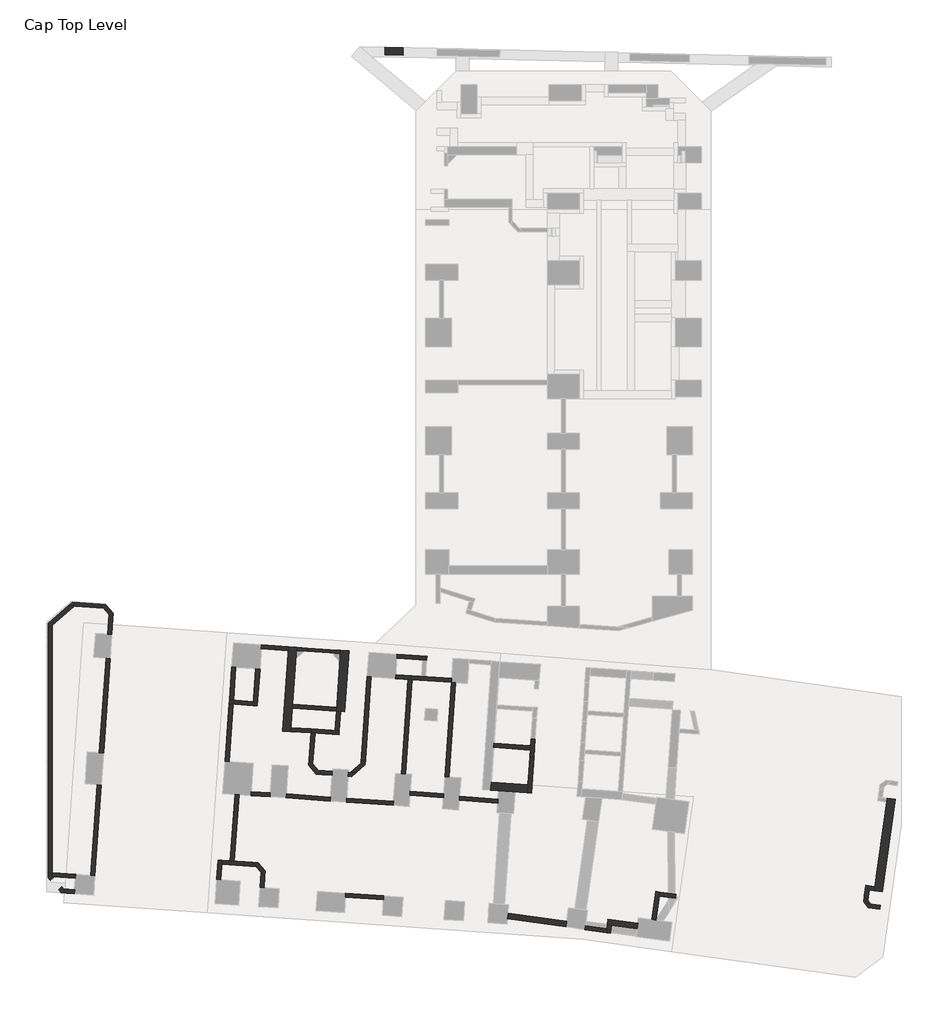
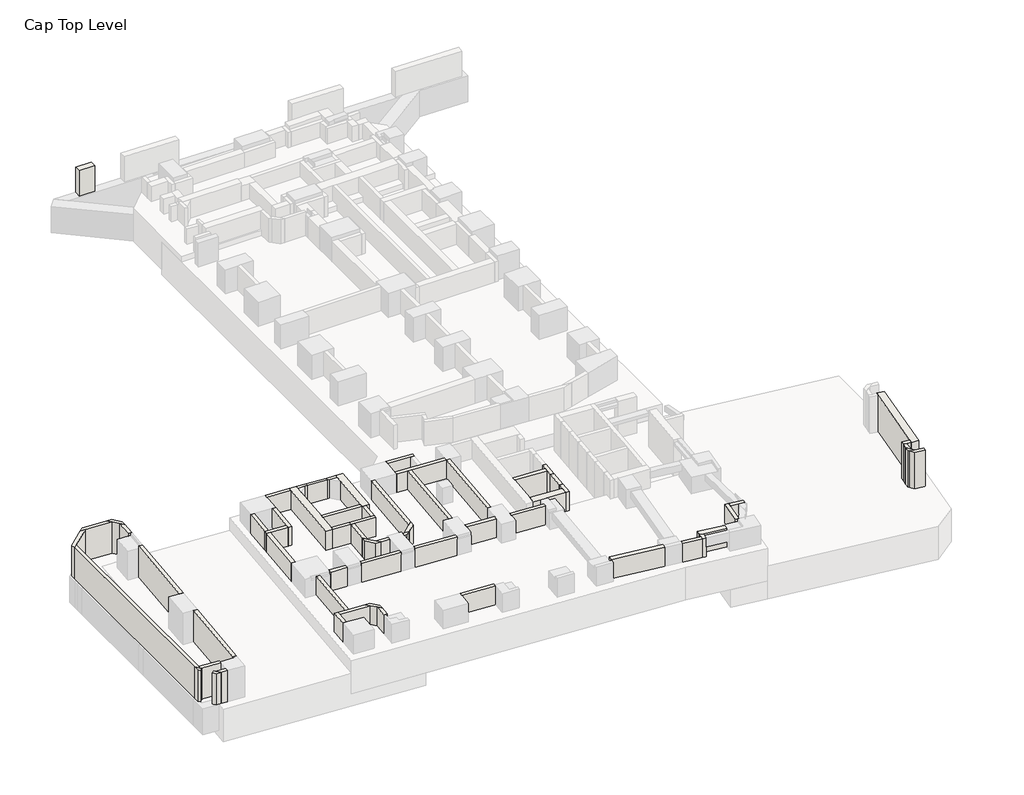
# One storey, part 1 of 5: 63 walls.
"""IFC4 building model written with IfcOpenShell, lengths in millimetres."""

from ifc_helpers import new_model, si_unit, frame, origin, place, context, project, spatial, polyline, outline, extrude, faceted_brep, element, save

model = new_model("IFC4")

# Units and contexts
model_context = context("Model", 3, world=origin())
ifc_project = project(units=[si_unit("LENGTHUNIT", "METRE", prefix="MILLI")], contexts=[model_context])

# Site, building, storey
site = spatial("IfcSite", under=ifc_project)
building = spatial("IfcBuilding", under=site)
storey = spatial("IfcBuildingStorey", under=building, Name="Cap Top Level", Elevation=2650.0)

# Walls
placement = place(None, origin())
element("IfcWall", 1, at=placement, inside=storey, context=model_context, shape_type="Brep", body=[
    faceted_brep([(-71748.5834843, 73803.2710472, 2650.0), (-71766.0226028, 73553.8800341, 2650.0), (-72113.0610597, 68590.998884, 2650.0), (-72113.0610597, 68590.998884, 4090.0), (-71766.0226028, 73553.8800341, 4090.0), (-71748.5834843, 73803.2710472, 4090.0), (-71249.8014591, 73768.3928106, 2650.0), (-71249.8014591, 73768.3928106, 4090.0), (-71263.7527539, 73568.8800005, 4090.0), (-71495.6927825, 70251.9830605, 4090.0), (-71513.1319009, 70002.5920479, 4090.0), (-71596.8399161, 68805.5116598, 4090.0), (-71614.2790345, 68556.1206472, 4090.0), (-71614.2790345, 68556.1206472, 2650.0), (-71596.8399161, 68805.5116598, 2650.0), (-71513.1319009, 70002.5920479, 2650.0), (-71495.6927825, 70251.9830605, 2650.0), (-71263.7527539, 73568.8800005, 2650.0)], [[[0, 1, 2, 3, 4, 5]], [[6, 7, 8, 9, 10, 11, 12, 13, 14, 15, 16, 17]], [[2, 1, 0, 6, 17, 16, 15, 14, 13]], [[5, 4, 3, 12, 11, 10, 9, 8, 7]], [[0, 5, 7, 6]], [[3, 2, 13, 12]]]),
])
element("IfcWall", 2, at=placement, inside=storey, context=model_context, shape_type="Brep", body=[
    faceted_brep([(-68281.0289822, 69776.5775531, 2650.0), (-68017.6937428, 73542.382913, 2650.0), (-68017.6937428, 73542.382913, 4090.0), (-68281.0289822, 69776.5775531, 4090.0), (-68779.8109661, 69811.4563799, 2650.0), (-68779.8109661, 69811.4563799, 4090.0), (-68762.3715527, 70060.8473719, 4090.0), (-68530.4272987, 73377.7483562, 4090.0), (-68516.4757679, 73577.2611497, 4090.0), (-68516.4757679, 73577.2611497, 2650.0), (-68530.4272987, 73377.7483562, 2650.0), (-68762.3715527, 70060.8473719, 2650.0), (-68530.4158391, 69794.0166773, 2650.0), (-68530.4158391, 69794.0166773, 4090.0)], [[[0, 1, 2, 3]], [[4, 5, 6, 7, 8, 9, 10, 11]], [[1, 0, 12, 4, 11, 10, 9]], [[3, 2, 8, 7, 6, 5, 13]], [[2, 1, 9, 8]], [[0, 3, 13, 5, 4, 12]]]),
])
element("IfcWall", 3, at=placement, inside=storey, context=model_context, shape_type="SweptSolid", body=[
    extrude(outline(polyline([(-56973.7238295, 64755.5923467), (-59233.2094186, 64913.5909697), (-59198.3311817, 65412.3729949), (-56938.8455922, 65254.3743718), (-56973.7238295, 64755.5923467)])), frame((0.0, 0.0, 2650.0), z_axis=(0.0, 0.0, 1.0), x_axis=(1.0, 0.0, 0.0)), (0.0, 0.0, 1.0), 1440.0),
])
element("IfcWall", 4, at=placement, inside=storey, context=model_context, shape_type="SweptSolid", body=[
    extrude(outline(polyline([(-35494.4533486, 58708.0237551), (-34690.0328255, 64431.7731925), (-34194.8987911, 64362.1866421), (-34999.3193142, 58638.4372046), (-35494.4533486, 58708.0237551)])), frame((0.0, 0.0, 1300.0), z_axis=(0.0, 0.0, 1.0), x_axis=(1.0, 0.0, 0.0)), (0.0, 0.0, 1.0), 2790.0),
])
element("IfcWall", 5, at=placement, inside=storey, context=model_context, shape_type="Brep", body=[
    faceted_brep([(-70595.3848402, 73522.1431634, 2650.0), (-70595.3848402, 73522.1431634, 4090.0), (-70745.0188341, 73532.6065915, 4090.0), (-71263.7527539, 73568.8800005, 4090.0), (-71263.7527539, 73568.8800005, 2650.0), (-70745.0188341, 73532.6065915, 2650.0), (-70581.4335455, 73721.6559734, 2650.0), (-71249.8014591, 73768.3928106, 2650.0), (-71249.8014591, 73768.3928106, 4090.0), (-70581.4335455, 73721.6559734, 4090.0)], [[[0, 1, 2, 3, 4, 5]], [[6, 7, 8, 9]], [[7, 6, 0, 5, 4]], [[1, 0, 6, 9]], [[9, 8, 3, 2, 1]], [[4, 3, 8, 7]]]),
])
element("IfcWall", 6, at=placement, inside=storey, context=model_context, shape_type="Brep", body=[
    faceted_brep([(-69198.7950943, 73424.4851852, 4090.0), (-69198.7950943, 73424.4851852, 2650.0), (-69049.1604879, 73414.0217142, 2650.0), (-68530.4272987, 73377.7483562, 2650.0), (-68530.4272987, 73377.7483562, 4090.0), (-69049.1604879, 73414.0217142, 4090.0), (-68516.4757679, 73577.2611497, 2650.0), (-69184.8437996, 73623.9979953, 2650.0), (-69184.8437996, 73623.9979953, 4090.0), (-68516.4757679, 73577.2611497, 4090.0)], [[[0, 1, 2, 3, 4, 5]], [[6, 7, 8, 9]], [[7, 6, 3, 2, 1]], [[9, 8, 0, 5, 4]], [[1, 0, 8, 7]], [[4, 3, 6, 9]]]),
])
element("IfcWall", 7, at=placement, inside=storey, context=model_context, shape_type="SweptSolid", body=[
    extrude(outline(polyline([(-59029.8692977, 67821.4901777), (-56770.3860016, 67663.4917152), (-56787.8251202, 67414.1007027), (-59047.3084161, 67572.0991651), (-59029.8692977, 67821.4901777)])), frame((0.0, 0.0, 1300.0), z_axis=(0.0, 0.0, 1.0), x_axis=(1.0, 0.0, 0.0)), (0.0, 0.0, 1.0), 2790.0),
])
element("IfcWall", 8, at=placement, inside=storey, context=model_context, shape_type="Brep", body=[
    faceted_brep([(-56740.2153988, 68094.9514305, 1300.0), (-56770.3860016, 67663.4917152, 1300.0), (-56787.8251202, 67414.1007027, 1300.0), (-56817.9957326, 66982.6408494, 1300.0), (-56817.9957326, 66982.6408494, 4090.0), (-56787.8251202, 67414.1007027, 4090.0), (-56770.3860016, 67663.4917152, 4090.0), (-56740.2153988, 68094.9514305, 4090.0), (-56568.6047201, 66965.2017307, 1300.0), (-56490.8243863, 68077.5123118, 1300.0), (-56490.8243863, 68077.5123118, 4090.0), (-56568.6047201, 66965.2017307, 4090.0)], [[[0, 1, 2, 3, 4, 5, 6, 7]], [[8, 9, 10, 11]], [[3, 2, 1, 0, 9, 8]], [[4, 3, 8, 11]], [[7, 6, 5, 4, 11, 10]], [[0, 7, 10, 9]]]),
])
element("IfcWall", 9, at=placement, inside=storey, context=model_context, shape_type="Brep", body=[
    faceted_brep([(-56724.332817, 64738.1532284, 1300.0), (-56659.2858413, 65668.3683065, 1300.0), (-56659.2858413, 65668.3683065, 4090.0), (-56724.332817, 64738.1532284, 4090.0), (-56908.6768539, 65685.8074252, 1300.0), (-56973.7238295, 64755.5923467, 1300.0), (-56973.7238295, 64755.5923467, 2650.0), (-56973.7238295, 64755.5923467, 4090.0), (-56938.8455922, 65254.3743718, 4090.0), (-56908.6768539, 65685.8074252, 4090.0)], [[[0, 1, 2, 3]], [[4, 5, 6, 7, 8, 9]], [[1, 0, 5, 4]], [[2, 1, 4, 9]], [[3, 2, 9, 8, 7]], [[0, 3, 7, 6, 5]]]),
])
element("IfcWall", 10, at=placement, inside=storey, context=model_context, shape_type="Brep", body=[
    faceted_brep([(-82604.4214143, 75890.6238024, 1700.0), (-82884.9846761, 76213.3749155, 1700.0), (-83063.6861632, 76418.9474607, 1700.0), (-83063.6861632, 76418.9474607, 4090.0), (-82604.4214143, 75890.6238024, 4090.0), (-82629.0840518, 75537.9316496, 1700.0), (-82629.0840518, 75537.9316496, 4090.0), (-82861.0359461, 75804.7617811, 4090.0), (-83184.4264214, 76176.7799675, 4090.0), (-83416.3783153, 76443.6100985, 4090.0), (-83416.3783153, 76443.6100985, 1700.0), (-83184.4264214, 76176.7799675, 1700.0), (-82861.0359461, 75804.7617811, 1700.0)], [[[0, 1, 2, 3, 4]], [[5, 6, 7, 8, 9, 10, 11, 12]], [[2, 1, 0, 5, 12, 11, 10]], [[4, 3, 9, 8, 7, 6]], [[0, 4, 6, 5]], [[3, 2, 10, 9]]]),
])
element("IfcWall", 11, at=placement, inside=storey, context=model_context, shape_type="SweptSolid", body=[
    extrude(outline(polyline([(-82629.0840518, 75537.9316496), (-82696.8487408, 74568.851435), (-82946.2397534, 74586.2905532), (-82861.0359461, 75804.7617811), (-82629.0840518, 75537.9316496)])), frame((0.0, 0.0, 1700.0), z_axis=(0.0, 0.0, 1.0), x_axis=(1.0, 0.0, 0.0)), (0.0, 0.0, 1.0), 2390.0),
])
element("IfcWall", 12, at=placement, inside=storey, context=model_context, shape_type="Brep", body=[
    faceted_brep([(-83416.3783153, 76443.6100985, 1700.0), (-84576.7251213, 76524.7494514, 1700.0), (-85110.7203233, 76562.0900335, 1700.0), (-85110.7203233, 76562.0900335, 4090.0), (-83416.3783153, 76443.6100985, 4090.0), (-83184.4264214, 76176.7799675, 1700.0), (-83184.4264214, 76176.7799675, 4090.0), (-85024.858302, 76305.4755016, 4090.0), (-85377.5504543, 76330.1381394, 4090.0), (-85377.5504543, 76330.1381394, 1700.0), (-85024.858302, 76305.4755016, 1700.0)], [[[0, 1, 2, 3, 4]], [[5, 6, 7, 8, 9, 10]], [[2, 1, 0, 5, 10, 9]], [[4, 3, 8, 7, 6]], [[0, 4, 6, 5]], [[3, 2, 9, 8]]]),
])
element("IfcWall", 13, at=placement, inside=storey, context=model_context, shape_type="Brep", body=[
    faceted_brep([(-85377.5504543, 76330.1381394, 1700.0), (-86626.3287042, 75244.591768, 1700.0), (-86626.3287042, 75244.591768, 4090.0), (-85377.5504543, 76330.1381394, 4090.0), (-85024.858302, 76305.4755016, 1700.0), (-85024.858302, 76305.4755016, 4090.0), (-86376.3287042, 75130.6602041, 4090.0), (-86626.3287042, 74913.3385196, 4090.0), (-86626.3287042, 74913.3385196, 1700.0), (-86376.3287042, 75130.6602041, 1700.0)], [[[0, 1, 2, 3]], [[4, 5, 6, 7, 8, 9]], [[1, 0, 4, 9, 8]], [[3, 2, 7, 6, 5]], [[0, 3, 5, 4]], [[2, 1, 8, 7]]]),
])
element("IfcWall", 14, at=placement, inside=storey, context=model_context, shape_type="Brep", body=[
    faceted_brep([(-86626.3287042, 74913.3385196, 1700.0), (-86626.3287042, 59890.3137233, 1700.0), (-86626.3287042, 59890.3137233, 4090.0), (-86626.3287042, 74913.3385196, 4090.0), (-86376.3287042, 75130.6602041, 1700.0), (-86376.3287042, 75130.6602041, 4090.0), (-86376.3287042, 59819.5905246, 4090.0), (-86376.3287042, 59602.6523758, 4090.0), (-86376.3287042, 59602.6523758, 1700.0), (-86376.3287042, 59819.5905246, 1700.0)], [[[0, 1, 2, 3]], [[4, 5, 6, 7, 8, 9]], [[1, 0, 4, 9, 8]], [[3, 2, 7, 6, 5]], [[0, 3, 5, 4]], [[2, 1, 8, 7]]]),
])
element("IfcWall", 15, at=placement, inside=storey, context=model_context, shape_type="Brep", body=[
    faceted_brep([(-86345.1713554, 59566.801316, 1700.0), (-84955.619116, 59469.6343581, 1700.0), (-84955.619116, 59469.6343581, 4090.0), (-86345.1713554, 59566.801316, 4090.0), (-86376.3287042, 59819.5905246, 1700.0), (-86376.3287042, 59819.5905246, 4090.0), (-84938.1799976, 59719.0253706, 4090.0), (-84938.1799976, 59719.0253706, 1700.0), (-86376.3287042, 59602.6523758, 1700.0), (-84947.1586433, 59590.6247551, 4090.0), (-86376.3287042, 59602.6523758, 4090.0)], [[[0, 1, 2, 3]], [[4, 5, 6, 7]], [[1, 0, 8, 4, 7]], [[2, 1, 7, 6, 9]], [[3, 2, 9, 6, 5, 10]], [[0, 3, 10, 8]], [[10, 5, 4, 8]]]),
])
element("IfcWall", 16, at=placement, inside=storey, context=model_context, shape_type="SweptSolid", body=[
    extrude(outline(polyline([(-83348.7234825, 65246.6081128), (-83741.1031383, 59635.3176023), (-83990.4941509, 59652.7567207), (-83598.114495, 65264.0472312), (-83348.7234825, 65246.6081128)])), frame((0.0, 0.0, 1700.0), z_axis=(0.0, 0.0, 1.0), x_axis=(1.0, 0.0, 0.0)), (0.0, 0.0, 1.0), 2390.0),
])
element("IfcWall", 17, at=placement, inside=storey, context=model_context, shape_type="SweptSolid", body=[
    extrude(outline(polyline([(-82801.4834448, 73072.5053603), (-83209.2100232, 67241.7434858), (-83458.6010358, 67259.1826037), (-83050.8744574, 73089.9444783), (-82801.4834448, 73072.5053603)])), frame((0.0, 0.0, 1700.0), z_axis=(0.0, 0.0, 1.0), x_axis=(1.0, 0.0, 0.0)), (0.0, 0.0, 1.0), 2390.0),
])
element("IfcWall", 18, at=placement, inside=storey, context=model_context, shape_type="Brep", body=[
    faceted_brep([(-73773.530172, 72441.1961035, 2650.0), (-73915.1358136, 70416.1410817, 2650.0), (-73932.574932, 70166.7500691, 2650.0), (-73932.574932, 70166.7500691, 4090.0), (-73915.1358136, 70416.1410817, 4090.0), (-73773.530172, 72441.1961035, 4090.0), (-73524.1391595, 72423.7569851, 2650.0), (-73524.1391595, 72423.7569851, 4090.0), (-73683.1839194, 70149.3109506, 4090.0), (-73683.1839194, 70149.3109506, 2650.0)], [[[0, 1, 2, 3, 4, 5]], [[6, 7, 8, 9]], [[2, 1, 0, 6, 9]], [[5, 4, 3, 8, 7]], [[0, 5, 7, 6]], [[3, 2, 9, 8]]]),
])
element("IfcWall", 19, at=placement, inside=storey, context=model_context, shape_type="Brep", body=[
    faceted_brep([(-73915.1358136, 70416.1410817, 2650.0), (-75162.0902774, 70503.3366323, 2650.0), (-75411.48129, 70520.7757508, 2650.0), (-75411.48129, 70520.7757508, 4090.0), (-75162.0902774, 70503.3366323, 4090.0), (-73915.1358136, 70416.1410817, 4090.0), (-73932.574932, 70166.7500691, 2650.0), (-73932.574932, 70166.7500691, 4090.0), (-75179.5293959, 70253.9456197, 4090.0), (-75428.9204084, 70271.3847382, 4090.0), (-75428.9204084, 70271.3847382, 2650.0), (-75179.5293959, 70253.9456197, 2650.0)], [[[0, 1, 2, 3, 4, 5]], [[6, 7, 8, 9, 10, 11]], [[2, 1, 0, 6, 11, 10]], [[5, 4, 3, 9, 8, 7]], [[0, 5, 7, 6]], [[3, 2, 10, 9]]]),
])
element("IfcWall", 20, at=placement, inside=storey, context=model_context, shape_type="SweptSolid", body=[
    extrude(outline(polyline([(-75020.4846357, 72528.3916547), (-75162.0902774, 70503.3366323), (-75411.48129, 70520.7757508), (-75269.8756483, 72545.8307731), (-75020.4846357, 72528.3916547)])), frame((0.0, 0.0, 2650.0), z_axis=(0.0, 0.0, 1.0), x_axis=(1.0, 0.0, 0.0)), (0.0, 0.0, 1.0), 1440.0),
])
element("IfcWall", 21, at=placement, inside=storey, context=model_context, shape_type="SweptSolid", body=[
    extrude(outline(polyline([(-75179.5293959, 70253.9456197), (-75428.2112248, 66697.6297809), (-75677.6022374, 66715.0688994), (-75428.9204085, 70271.3847382), (-75179.5293959, 70253.9456197)])), frame((0.0, 0.0, 2650.0), z_axis=(0.0, 0.0, 1.0), x_axis=(1.0, 0.0, 0.0)), (0.0, 0.0, 1.0), 1440.0),
])
element("IfcWall", 22, at=placement, inside=storey, context=model_context, shape_type="SweptSolid", body=[
    extrude(outline(polyline([(-75356.6875685, 60552.6717558), (-75068.9411932, 64667.6366407), (-74819.5501806, 64650.1975223), (-75107.2965559, 60535.2326375), (-75356.6875685, 60552.6717558)])), frame((0.0, 0.0, 2650.0), z_axis=(0.0, 0.0, 1.0), x_axis=(1.0, 0.0, 0.0)), (0.0, 0.0, 1.0), 1440.0),
])
element("IfcWall", 23, at=placement, inside=storey, context=model_context, shape_type="Brep", body=[
    faceted_brep([(-76104.8607844, 60604.9891234, 2650.0), (-76188.5687356, 59407.9096508, 2650.0), (-76188.5687356, 59407.9096508, 4090.0), (-76104.8607844, 60604.9891234, 4090.0), (-75855.4697719, 60587.550005, 2650.0), (-75855.4697719, 60587.550005, 4090.0), (-75872.9088903, 60338.1589925, 4090.0), (-75939.177723, 59390.4705324, 4090.0), (-75939.177723, 59390.4705324, 2650.0), (-75872.9088903, 60338.1589925, 2650.0)], [[[0, 1, 2, 3]], [[4, 5, 6, 7, 8, 9]], [[1, 0, 4, 9, 8]], [[2, 1, 8, 7]], [[3, 2, 7, 6, 5]], [[0, 3, 5, 4]]]),
])
element("IfcWall", 24, at=placement, inside=storey, context=model_context, shape_type="Brep", body=[
    faceted_brep([(-73985.0371992, 60456.7566188, 2650.0), (-75107.2965559, 60535.2326375, 2650.0), (-75356.6875685, 60552.6717558, 2650.0), (-75855.4697719, 60587.550005, 2650.0), (-75855.4697719, 60587.550005, 4090.0), (-75356.6875685, 60552.6717558, 4090.0), (-75107.2965559, 60535.2326375, 4090.0), (-73985.0371992, 60456.7566188, 4090.0), (-73753.0853053, 60189.9264879, 2650.0), (-73753.0853053, 60189.9264879, 4090.0), (-75872.9088903, 60338.1589925, 4090.0), (-75872.9088903, 60338.1589925, 2650.0)], [[[0, 1, 2, 3, 4, 5, 6, 7]], [[8, 9, 10, 11]], [[3, 2, 1, 0, 8, 11]], [[7, 6, 5, 4, 10, 9]], [[4, 3, 11, 10]], [[0, 7, 9, 8]]]),
])
element("IfcWall", 25, at=placement, inside=storey, context=model_context, shape_type="Brep", body=[
    faceted_brep([(-73194.933287, 59928.9093112, 2650.0), (-73632.3450471, 60432.0939811, 2650.0), (-73632.3450471, 60432.0939811, 4090.0), (-73194.933287, 59928.9093112, 4090.0), (-73219.5959249, 59576.2171588, 2650.0), (-73219.5959249, 59576.2171588, 4090.0), (-73451.547819, 59843.0472899, 4090.0), (-73753.0853053, 60189.9264879, 4090.0), (-73985.0371992, 60456.7566188, 4090.0), (-73985.0371992, 60456.7566188, 2650.0), (-73753.0853053, 60189.9264879, 2650.0), (-73451.547819, 59843.0472899, 2650.0)], [[[0, 1, 2, 3]], [[4, 5, 6, 7, 8, 9, 10, 11]], [[1, 0, 4, 11, 10, 9]], [[3, 2, 8, 7, 6, 5]], [[2, 1, 9, 8]], [[0, 3, 5, 4]]]),
])
element("IfcWall", 26, at=placement, inside=storey, context=model_context, shape_type="SweptSolid", body=[
    extrude(outline(polyline([(-73219.5959249, 59576.2171588), (-73266.6806211, 58902.874632), (-73516.0716337, 58920.3137504), (-73451.547819, 59843.0472899), (-73219.5959249, 59576.2171588)])), frame((0.0, 0.0, 2650.0), z_axis=(0.0, 0.0, 1.0), x_axis=(1.0, 0.0, 0.0)), (0.0, 0.0, 1.0), 1440.0),
])
element("IfcWall", 27, at=placement, inside=storey, context=model_context, shape_type="SweptSolid", body=[
    extrude(outline(polyline([(-68204.0430705, 58548.8605262), (-65859.767531, 58384.9328115), (-65877.2066494, 58135.541799), (-68221.4821889, 58299.4695137), (-68204.0430705, 58548.8605262)])), frame((0.0, 0.0, 2650.0), z_axis=(0.0, 0.0, 1.0), x_axis=(1.0, 0.0, 0.0)), (0.0, 0.0, 1.0), 1440.0),
])
element("IfcWall", 28, at=placement, inside=storey, context=model_context, shape_type="Brep", body=[
    faceted_brep([(-65260.4176429, 64232.2739894, 2650.0), (-68153.3534115, 64434.5677646, 2650.0), (-68153.3534115, 64434.5677646, 4090.0), (-65260.4176429, 64232.2739894, 4090.0), (-65277.8567613, 63982.8829769, 2650.0), (-65277.8567613, 63982.8829769, 4090.0), (-68170.7925299, 64185.176752, 4090.0), (-68170.7925299, 64185.176752, 2650.0), (-65269.1372021, 64107.5784839, 4090.0)], [[[0, 1, 2, 3]], [[4, 5, 6, 7]], [[1, 0, 4, 7]], [[2, 1, 7, 6]], [[3, 2, 6, 5, 8]], [[0, 3, 8, 5, 4]]]),
])
element("IfcWall", 29, at=placement, inside=storey, context=model_context, shape_type="Brep", body=[
    faceted_brep([(-69150.9174606, 64504.3242389, 2650.0), (-71884.2429339, 64695.4569711, 2650.0), (-71884.2429339, 64695.4569711, 4090.0), (-69150.9174606, 64504.3242389, 4090.0), (-69168.3565787, 64254.9332263, 2650.0), (-69168.3565787, 64254.9332263, 4090.0), (-71901.6820519, 64446.0659585, 4090.0), (-71901.6820519, 64446.0659585, 2650.0), (-71892.9624926, 64570.7614689, 4090.0)], [[[0, 1, 2, 3]], [[4, 5, 6, 7]], [[1, 0, 4, 7]], [[2, 1, 7, 6, 8]], [[3, 2, 8, 6, 5]], [[0, 3, 5, 4]]]),
])
element("IfcWall", 30, at=placement, inside=storey, context=model_context, shape_type="SweptSolid", body=[
    extrude(outline(polyline([(-64214.0176669, 64860.9038001), (-62149.0592822, 64716.5078452), (-62166.4984004, 64467.1168326), (-64231.4567852, 64611.5127875), (-64214.0176669, 64860.9038001)])), frame((0.0, 0.0, 2650.0), z_axis=(0.0, 0.0, 1.0), x_axis=(1.0, 0.0, 0.0)), (0.0, 0.0, 1.0), 1440.0),
])
element("IfcWall", 31, at=placement, inside=storey, context=model_context, shape_type="SweptSolid", body=[
    extrude(outline(polyline([(-61158.4724784, 64546.9842807), (-58774.2943989, 64380.2663085), (-58791.7335173, 64130.8752959), (-61175.9115968, 64297.5932681), (-61158.4724784, 64546.9842807)])), frame((0.0, 0.0, 2650.0), z_axis=(0.0, 0.0, 1.0), x_axis=(1.0, 0.0, 0.0)), (0.0, 0.0, 1.0), 1440.0),
])
element("IfcWall", 32, at=placement, inside=storey, context=model_context, shape_type="SweptSolid", body=[
    extrude(outline(polyline([(-74053.9447483, 64847.1773037), (-72881.8069891, 64765.2134492), (-72899.2461071, 64515.8224366), (-74071.3838663, 64597.7862911), (-74053.9447483, 64847.1773037)])), frame((0.0, 0.0, 2650.0), z_axis=(0.0, 0.0, 1.0), x_axis=(1.0, 0.0, 0.0)), (0.0, 0.0, 1.0), 1440.0),
])
element("IfcWall", 33, at=placement, inside=storey, context=model_context, shape_type="SweptSolid", body=[
    extrude(outline(polyline([(-70367.3239716, 68468.9250553), (-71614.2790345, 68556.1206472), (-71596.8399161, 68805.5116598), (-70349.8848532, 68718.3160678), (-70367.3239716, 68468.9250553)])), frame((0.0, 0.0, 2650.0), z_axis=(0.0, 0.0, 1.0), x_axis=(1.0, 0.0, 0.0)), (0.0, 0.0, 1.0), 1440.0),
])
element("IfcWall", 34, at=placement, inside=storey, context=model_context, shape_type="Brep", body=[
    faceted_brep([(-68614.1250236, 68596.9399169, 2650.0), (-68863.5160361, 68614.3790353, 2650.0), (-70349.8848532, 68718.3160678, 2650.0), (-70349.8848532, 68718.3160678, 4090.0), (-68863.5160361, 68614.3790353, 4090.0), (-68614.1250236, 68596.9399169, 4090.0), (-68631.564437, 68347.5489249, 2650.0), (-68631.564437, 68347.5489249, 4090.0), (-70117.9329591, 68451.4859368, 4090.0), (-70367.3239716, 68468.9250552, 4090.0), (-70367.3239716, 68468.9250552, 2650.0), (-70117.9329591, 68451.4859368, 2650.0)], [[[0, 1, 2, 3, 4, 5]], [[6, 7, 8, 9, 10, 11]], [[2, 1, 0, 6, 11, 10]], [[5, 4, 3, 9, 8, 7]], [[3, 2, 10, 9]], [[0, 5, 7, 6]]]),
])
element("IfcWall", 35, at=placement, inside=storey, context=model_context, shape_type="SweptSolid", body=[
    extrude(outline(polyline([(-70482.6689281, 66819.4153245), (-70367.3239716, 68468.9250552), (-70117.9329591, 68451.4859368), (-70250.7908021, 66551.5302605), (-70482.6689281, 66819.4153245)])), frame((0.0, 0.0, 2650.0), z_axis=(0.0, 0.0, 1.0), x_axis=(1.0, 0.0, 0.0)), (0.0, 0.0, 1.0), 1440.0),
])
element("IfcWall", 36, at=placement, inside=storey, context=model_context, shape_type="Brep", body=[
    faceted_brep([(-70507.3837829, 66465.9764347, 2650.0), (-70034.3524261, 65919.4909278, 2650.0), (-70034.3524261, 65919.4909278, 4090.0), (-70507.3837829, 66465.9764347, 4090.0), (-70482.6689281, 66819.4153245, 2650.0), (-70482.6689281, 66819.4153245, 4090.0), (-70250.7908021, 66551.5302605, 4090.0), (-69913.3037029, 66161.636851, 4090.0), (-69682.4022981, 65894.8801775, 4090.0), (-69682.4022981, 65894.8801775, 2650.0), (-69913.3037029, 66161.636851, 2650.0), (-70250.7908021, 66551.5302605, 2650.0)], [[[0, 1, 2, 3]], [[4, 5, 6, 7, 8, 9, 10, 11]], [[1, 0, 4, 11, 10, 9]], [[3, 2, 8, 7, 6, 5]], [[0, 3, 5, 4]], [[2, 1, 9, 8]]]),
])
element("IfcWall", 37, at=placement, inside=storey, context=model_context, shape_type="SweptSolid", body=[
    extrude(outline(polyline([(-69056.7396561, 65851.1295837), (-69682.4022981, 65894.8801775), (-69913.3037029, 66161.636851), (-69039.3005377, 66100.5205963), (-69056.7396561, 65851.1295837)])), frame((0.0, 0.0, 2650.0), z_axis=(0.0, 0.0, 1.0), x_axis=(1.0, 0.0, 0.0)), (0.0, 0.0, 1.0), 1440.0),
])
element("IfcWall", 38, at=placement, inside=storey, context=model_context, shape_type="Brep", body=[
    faceted_brep([(-67577.8692046, 65998.327371, 2650.0), (-67930.5613571, 66022.9900089, 2650.0), (-68041.7364876, 66030.7641313, 2650.0), (-68041.7364876, 66030.7641313, 4090.0), (-67930.5613571, 66022.9900089, 4090.0), (-67577.8692046, 65998.327371, 4090.0), (-67844.699336, 65766.3754769, 2650.0), (-67844.699336, 65766.3754769, 4090.0), (-68059.1756061, 65781.3731188, 4090.0), (-68059.1756061, 65781.3731188, 2650.0)], [[[0, 1, 2, 3, 4, 5]], [[6, 7, 8, 9]], [[2, 1, 0, 6, 9]], [[3, 2, 9, 8]], [[5, 4, 3, 8, 7]], [[0, 5, 7, 6]]]),
])
element("IfcWall", 39, at=placement, inside=storey, context=model_context, shape_type="Brep", body=[
    faceted_brep([(-66982.190085, 66847.3965769, 2650.0), (-67249.020216, 66615.4446832, 2650.0), (-67930.5613571, 66022.9900089, 2650.0), (-67930.5613571, 66022.9900089, 4090.0), (-67249.020216, 66615.4446832, 4090.0), (-66982.190085, 66847.3965769, 4090.0), (-67006.8527227, 66494.704425, 2650.0), (-67006.8527227, 66494.704425, 4090.0), (-67577.8692046, 65998.327371, 4090.0), (-67577.8692046, 65998.327371, 2650.0)], [[[0, 1, 2, 3, 4, 5]], [[6, 7, 8, 9]], [[2, 1, 0, 6, 9]], [[5, 4, 3, 8, 7]], [[3, 2, 9, 8]], [[0, 5, 7, 6]]]),
])
element("IfcWall", 40, at=placement, inside=storey, context=model_context, shape_type="SweptSolid", body=[
    extrude(outline(polyline([(-67249.020216, 66615.4446832), (-66875.3733899, 71958.8432581), (-66625.9823773, 71941.4041397), (-66982.190085, 66847.3965769), (-67249.020216, 66615.4446832)])), frame((0.0, 0.0, 2650.0), z_axis=(0.0, 0.0, 1.0), x_axis=(1.0, 0.0, 0.0)), (0.0, 0.0, 1.0), 1440.0),
])
element("IfcWall", 41, at=placement, inside=storey, context=model_context, shape_type="SweptSolid", body=[
    extrude(outline(polyline([(-71495.6927825, 70251.9830605), (-68762.3715527, 70060.8473719), (-68779.8109661, 69811.4563799), (-71513.1319009, 70002.5920479), (-71495.6927825, 70251.9830605)])), frame((0.0, 0.0, 2650.0), z_axis=(0.0, 0.0, 1.0), x_axis=(1.0, 0.0, 0.0)), (0.0, 0.0, 1.0), 1440.0),
])
element("IfcWall", 42, at=placement, inside=storey, context=model_context, shape_type="Brep", body=[
    faceted_brep([(-65042.4407096, 73083.7244931, 2650.0), (-63446.3382295, 72972.1141347, 2650.0), (-63196.947217, 72954.6750162, 2650.0), (-63196.947217, 72954.6750162, 4090.0), (-63446.3382295, 72972.1141347, 4090.0), (-65042.4407096, 73083.7244931, 4090.0), (-65025.0015911, 73333.1155056, 2650.0), (-65025.0015911, 73333.1155056, 4090.0), (-63179.5080985, 73204.0660288, 4090.0), (-63179.5080985, 73204.0660288, 2650.0)], [[[0, 1, 2, 3, 4, 5]], [[6, 7, 8, 9]], [[2, 1, 0, 6, 9]], [[5, 4, 3, 8, 7]], [[0, 5, 7, 6]], [[3, 2, 9, 8]]]),
])
element("IfcWall", 43, at=placement, inside=storey, context=model_context, shape_type="Brep", body=[
    faceted_brep([(-65120.6596125, 71836.1284857, 2650.0), (-64356.5475655, 71782.6994945, 2650.0), (-64107.1564864, 71765.2613272, 2650.0), (-61669.0870781, 71594.7842494, 2650.0), (-61669.0870781, 71594.7842494, 4090.0), (-64107.1564864, 71765.2613272, 4090.0), (-64356.5475655, 71782.6994945, 4090.0), (-65120.6596125, 71836.1284857, 4090.0), (-65103.2214451, 72085.5195648, 2650.0), (-65103.2214451, 72085.5195648, 4090.0), (-63516.0952011, 71974.5429686, 4090.0), (-63266.704122, 71957.1048012, 4090.0), (-61651.6489108, 71844.1753285, 4090.0), (-61651.6489108, 71844.1753285, 2650.0), (-63266.704122, 71957.1048012, 2650.0), (-63516.0952011, 71974.5429686, 2650.0)], [[[0, 1, 2, 3, 4, 5, 6, 7]], [[8, 9, 10, 11, 12, 13, 14, 15]], [[3, 2, 1, 0, 8, 15, 14, 13]], [[4, 3, 13, 12]], [[7, 6, 5, 4, 12, 11, 10, 9]], [[0, 7, 9, 8]]]),
])
element("IfcWall", 44, at=placement, inside=storey, context=model_context, shape_type="Brep", body=[
    faceted_brep([(-48993.2807072, 56894.0435333, 2650.0), (-48784.5210561, 58379.4456351, 2650.0), (-48749.7277809, 58627.0126523, 2650.0), (-48749.7277809, 58627.0126523, 4090.0), (-48784.5210561, 58379.4456351, 4090.0), (-48991.5851302, 56906.1081907, 4090.0), (-48993.2807072, 56894.0435333, 4090.0), (-49240.8477244, 56928.8368085, 2650.0), (-49240.8477244, 56928.8368085, 4090.0), (-48997.2947981, 58661.8059275, 4090.0), (-48997.2947981, 58661.8059275, 2650.0)], [[[0, 1, 2, 3, 4, 5, 6]], [[7, 8, 9, 10]], [[2, 1, 0, 7, 10]], [[6, 5, 4, 3, 9, 8]], [[0, 6, 8, 7]], [[3, 2, 10, 9]]]),
])
element("IfcWall", 45, at=placement, inside=storey, context=model_context, shape_type="Brep", body=[
    faceted_brep([(-35460.6503851, 58955.7295881, 1300.0), (-36004.3075471, 59032.1356338, 1300.0), (-36004.3075471, 59032.1356338, 4090.0), (-35460.6503851, 58955.7295881, 4090.0), (-35495.4436667, 58708.1625718, 1300.0), (-35495.4436667, 58708.1625718, 4090.0), (-35791.5338125, 58749.7753358, 4090.0), (-36039.1008288, 58784.5686175, 4090.0), (-36039.1008288, 58784.5686175, 1300.0), (-35791.5338125, 58749.7753358, 1300.0)], [[[0, 1, 2, 3]], [[4, 5, 6, 7, 8, 9]], [[1, 0, 4, 9, 8]], [[3, 2, 7, 6, 5]], [[0, 3, 5, 4]], [[2, 1, 8, 7]]]),
])
element("IfcWall", 46, at=placement, inside=storey, context=model_context, shape_type="SweptSolid", body=[
    extrude(outline(polyline([(-36094.7700308, 58388.4617368), (-36039.1008288, 58784.5686175), (-35791.5338125, 58749.7753358), (-35881.9962946, 58106.1014503), (-36094.7700308, 58388.4617368)])), frame((0.0, 0.0, 1300.0), z_axis=(0.0, 0.0, 1.0), x_axis=(1.0, 0.0, 0.0)), (0.0, 0.0, 1.0), 2790.0),
])
element("IfcWall", 47, at=placement, inside=storey, context=model_context, shape_type="Brep", body=[
    faceted_brep([(-35849.115885, 57647.0576361, 1300.0), (-35152.4102225, 57549.1420223, 1300.0), (-35152.4102225, 57549.1420223, 4090.0), (-35849.115885, 57647.0576361, 4090.0), (-36061.8896312, 57929.4179356, 1300.0), (-36061.8896312, 57929.4179356, 4090.0), (-35711.776991, 57880.2128037, 4090.0), (-35117.6169408, 57796.7090386, 4090.0), (-35117.6169408, 57796.7090386, 1300.0), (-35711.776991, 57880.2128037, 1300.0)], [[[0, 1, 2, 3]], [[4, 5, 6, 7, 8, 9]], [[1, 0, 4, 9, 8]], [[2, 1, 8, 7]], [[3, 2, 7, 6, 5]], [[0, 3, 5, 4]]]),
])
element("IfcWall", 48, at=placement, inside=storey, context=model_context, shape_type="SweptSolid", body=[
    extrude(outline(polyline([(-56908.6806543, 65685.807839), (-56817.9957046, 66982.6409955), (-56568.6047127, 66965.2015821), (-56659.2896624, 65668.3684256), (-56908.6806543, 65685.807839)])), frame((0.0, 0.0, 1300.0), z_axis=(0.0, 0.0, 1.0), x_axis=(1.0, 0.0, 0.0)), (0.0, 0.0, 1.0), 2790.0),
])
element("IfcWall", 49, at=placement, inside=storey, context=model_context, shape_type="SweptSolid", body=[
    extrude(outline(polyline([(-68863.5160361, 68614.3790353), (-68779.8068311, 69811.4560908), (-68530.4158391, 69794.0166773), (-68614.1250236, 68596.9399169), (-68863.5160361, 68614.3790353)])), frame((0.0, 0.0, 2650.0), z_axis=(0.0, 0.0, 1.0), x_axis=(1.0, 0.0, 0.0)), (0.0, 0.0, 1.0), 1440.0),
])
element("IfcWall", 50, at=placement, inside=storey, context=model_context, shape_type="SweptSolid", body=[
    extrude(outline(polyline([(-69198.7952961, 73424.4839963), (-70595.3848505, 73522.1447115), (-70581.4333198, 73721.657505), (-69184.8437653, 73623.9967898), (-69198.7952961, 73424.4839963)])), frame((0.0, 0.0, 2650.0), z_axis=(0.0, 0.0, 1.0), x_axis=(1.0, 0.0, 0.0)), (0.0, 0.0, 1.0), 1440.0),
])
element("IfcWall", 51, at=placement, inside=storey, context=model_context, shape_type="SweptSolid", body=[
    extrude(outline(polyline([(-71766.0226028, 73553.8800341), (-73436.9424128, 73670.7221293), (-73419.5032944, 73920.1131418), (-71748.5834843, 73803.2710466), (-71766.0226028, 73553.8800341)])), frame((0.0, 0.0, 2650.0), z_axis=(0.0, 0.0, 1.0), x_axis=(1.0, 0.0, 0.0)), (0.0, 0.0, 1.0), 1440.0),
])
element("IfcWall", 52, at=placement, inside=storey, context=model_context, shape_type="Brep", body=[
    faceted_brep([(-36143.9751605, 58038.3491129, 1300.0), (-36061.8896312, 57929.4179356, 1300.0), (-36061.8896312, 57929.4179356, 4090.0), (-36143.9751605, 58038.3491129, 4090.0), (-36094.7700308, 58388.4617368, 1300.0), (-36094.7700308, 58388.4617368, 4090.0), (-35881.9962946, 58106.1014503, 4090.0), (-35711.776991, 57880.2128037, 4090.0), (-35711.776991, 57880.2128037, 1300.0), (-35881.9962946, 58106.1014503, 1300.0)], [[[0, 1, 2, 3]], [[4, 5, 6, 7, 8, 9]], [[1, 0, 4, 9, 8]], [[3, 2, 7, 6, 5]], [[2, 1, 8, 7]], [[0, 3, 5, 4]]]),
])
element("IfcWall", 53, at=placement, inside=storey, context=model_context, shape_type="Brep", body=[
    faceted_brep([(-48784.5210561, 58379.4456351, 2650.0), (-47794.2529876, 58240.2725342, 2650.0), (-47794.2529876, 58240.2725342, 3390.0), (-47794.2529876, 58240.2725342, 4090.0), (-47823.2532571, 58244.3482563, 4090.0), (-48223.9242443, 58300.6588913, 4090.0), (-48784.5210561, 58379.4456351, 4090.0), (-48749.7277809, 58627.0126523, 2650.0), (-48749.7277809, 58627.0126523, 4090.0), (-47957.5133262, 58515.6741716, 4090.0), (-47826.1485924, 58497.2120623, 4090.0), (-47759.4597124, 58487.8395514, 4090.0), (-47759.4597124, 58487.8395514, 2650.0), (-47772.4814943, 58395.1847587, 4090.0)], [[[0, 1, 2, 3, 4, 5, 6]], [[7, 8, 9, 10, 11, 12]], [[1, 0, 7, 12]], [[3, 2, 1, 12, 11, 13]], [[6, 5, 4, 3, 13, 11, 10, 9, 8]], [[0, 6, 8, 7]]]),
])
element("IfcWall", 54, at=placement, inside=storey, context=model_context, shape_type="Brep", body=[
    faceted_brep([(-85003.5684856, 58771.2779758, 1700.0), (-85004.4486492, 58771.3395082, 1700.0), (-85698.78239, 58819.8805423, 1700.0), (-85698.78239, 58819.8805423, 4090.0), (-85004.4486492, 58771.3395082, 4090.0), (-85003.5684856, 58771.2779758, 4090.0), (-85021.0034897, 58521.8866756, 1700.0), (-85021.0034897, 58521.8866756, 4090.0), (-85468.2595184, 58553.154449, 4090.0), (-85468.2595184, 58553.154449, 1700.0)], [[[0, 1, 2, 3, 4, 5]], [[6, 7, 8, 9]], [[2, 1, 0, 6, 9]], [[5, 4, 3, 8, 7]], [[0, 5, 7, 6]], [[3, 2, 9, 8]]]),
])
element("IfcWall", 55, at=placement, inside=storey, context=model_context, shape_type="Brep", body=[
    faceted_brep([(-85468.2595184, 58553.154449, 1700.0), (-85698.78239, 58819.8805423, 1700.0), (-85801.5077882, 58938.7387881, 1700.0), (-85801.5077882, 58938.7387881, 4090.0), (-85698.78239, 58819.8805423, 4090.0), (-85468.2595184, 58553.154449, 4090.0), (-85819.9399539, 58577.7405105, 1700.0), (-85819.9399539, 58577.7405105, 4090.0), (-85990.6544124, 58775.265382, 4090.0), (-85990.6544124, 58775.265382, 1700.0)], [[[0, 1, 2, 3, 4, 5]], [[6, 7, 8, 9]], [[2, 1, 0, 6, 9]], [[3, 2, 9, 8]], [[5, 4, 3, 8, 7]], [[0, 5, 7, 6]]]),
])
element("IfcWall", 56, at=placement, inside=storey, context=model_context, shape_type="Brep", body=[
    faceted_brep([(-86305.4198896, 59521.0614753, 1700.0), (-86345.1713554, 59566.801316, 1700.0), (-86376.3287042, 59602.6523758, 1700.0), (-86626.3287042, 59890.3137233, 1700.0), (-86626.3287042, 59890.3137233, 4090.0), (-86376.3287042, 59602.6523758, 4090.0), (-86345.1713554, 59566.801316, 4090.0), (-86305.4198896, 59521.0614753, 4090.0), (-86494.116834, 59357.0692097, 1700.0), (-86494.116834, 59357.0692097, 4090.0), (-86626.3287042, 59509.1981885, 4090.0), (-86626.3287042, 59509.1981885, 1700.0)], [[[0, 1, 2, 3, 4, 5, 6, 7]], [[8, 9, 10, 11]], [[3, 2, 1, 0, 8, 11]], [[7, 6, 5, 4, 10, 9]], [[0, 7, 9, 8]], [[4, 3, 11, 10]]]),
])
element("IfcWall", 57, at=placement, inside=storey, context=model_context, shape_type="SweptSolid", body=[
    extrude(outline(polyline([(-65767.6663169, 110890.2794447), (-64657.9907459, 110863.4442594), (-64668.8698751, 110413.5757847), (-65778.5454461, 110440.4109699), (-65767.6663169, 110890.2794447)])), frame((0.0, 0.0, 2150.0), z_axis=(0.0, 0.0, 1.0), x_axis=(1.0, 0.0, 0.0)), (0.0, 0.0, 1.0), 1940.0),
])
element("IfcWall", 58, at=placement, inside=storey, context=model_context, shape_type="SweptSolid", body=[
    extrude(outline(polyline([(-64764.2521579, 65951.9326415), (-64356.5475655, 71782.6994945), (-64107.1564864, 71765.2613272), (-64514.8610788, 65934.4944741), (-64764.2521579, 65951.9326415)])), frame((0.0, 0.0, 2650.0), z_axis=(0.0, 0.0, 1.0), x_axis=(1.0, 0.0, 0.0)), (0.0, 0.0, 1.0), 1440.0),
])
element("IfcWall", 59, at=placement, inside=storey, context=model_context, shape_type="SweptSolid", body=[
    extrude(outline(polyline([(-62075.7950958, 65763.9334921), (-61668.0904701, 71594.7008207), (-61418.699391, 71577.2626533), (-61826.4040167, 65746.4953247), (-62075.7950958, 65763.9334921)])), frame((0.0, 0.0, 2650.0), z_axis=(0.0, 0.0, 1.0), x_axis=(1.0, 0.0, 0.0)), (0.0, 0.0, 1.0), 1440.0),
])
element("IfcWall", 60, at=placement, inside=storey, context=model_context, shape_type="Brep", body=[
    faceted_brep([(-58186.5813836, 56974.2849563, 2650.0), (-54586.9569538, 56468.3907338, 2650.0), (-54586.9569538, 56468.3907338, 4090.0), (-54773.2285883, 56494.5695048, 4090.0), (-57375.9574237, 56860.3591882, 4090.0), (-58186.5813836, 56974.2849563, 4090.0), (-58186.5813836, 56974.2849563, 3890.0), (-58186.5813836, 56974.2849563, 3390.0), (-58137.8707982, 57320.8787803, 2650.0), (-58137.8707982, 57320.8787803, 4090.0), (-54538.2463684, 56814.9845578, 4090.0), (-54538.2463684, 56814.9845578, 2650.0)], [[[0, 1, 2, 3, 4, 5, 6, 7]], [[8, 9, 10, 11]], [[1, 0, 8, 11]], [[2, 1, 11, 10]], [[5, 4, 3, 2, 10, 9]], [[0, 7, 6, 5, 9, 8]]]),
])
element("IfcWall", 61, at=placement, inside=storey, context=model_context, shape_type="Brep", body=[
    faceted_brep([(-52011.9921891, 56611.4168242, 2650.0), (-51764.4251719, 56576.623549, 2650.0), (-50179.9962621, 56353.9465876, 2650.0), (-50179.9962621, 56353.9465876, 4090.0), (-51764.4251719, 56576.623549, 4090.0), (-52011.9921891, 56611.4168242, 4090.0), (-51963.2816038, 56958.0106482, 2650.0), (-51963.2816038, 56958.0106482, 4090.0), (-50131.2856768, 56700.5404117, 4090.0), (-50131.2856768, 56700.5404117, 2650.0)], [[[0, 1, 2, 3, 4, 5]], [[6, 7, 8, 9]], [[2, 1, 0, 6, 9]], [[3, 2, 9, 8]], [[5, 4, 3, 8, 7]], [[0, 5, 7, 6]]]),
])
element("IfcWall", 62, at=placement, inside=storey, context=model_context, shape_type="Brep", body=[
    faceted_brep([(-51834.0117222, 56081.4895149, 2650.0), (-51764.4251719, 56576.623549, 2650.0), (-51764.4251719, 56576.623549, 3390.0), (-51764.4251719, 56576.623549, 3890.0), (-51764.4251719, 56576.623549, 4090.0), (-51796.7835241, 56346.3819088, 4090.0), (-51831.5767993, 56098.8148916, 4090.0), (-51834.0117222, 56081.4895149, 4090.0), (-52081.5787394, 56116.2827901, 2650.0), (-52081.5787394, 56116.2827901, 4090.0), (-52046.7854642, 56363.8498073, 4090.0), (-52044.3505413, 56381.175184, 4090.0), (-52011.9921891, 56611.4168242, 4090.0), (-52011.9921891, 56611.4168242, 2650.0), (-52046.7854642, 56363.8498073, 2650.0)], [[[0, 1, 2, 3, 4, 5, 6, 7]], [[8, 9, 10, 11, 12, 13, 14]], [[1, 0, 8, 14, 13]], [[7, 6, 5, 4, 12, 11, 10, 9]], [[4, 3, 2, 1, 13, 12]], [[0, 7, 9, 8]]]),
])
element("IfcWall", 63, at=placement, inside=storey, context=model_context, shape_type="Brep", body=[
    faceted_brep([(-53398.6352711, 56301.3830143, 2650.0), (-52081.5787394, 56116.2827901, 2650.0), (-52081.5787394, 56116.2827901, 4090.0), (-53398.6352711, 56301.3830143, 4090.0), (-53363.8419959, 56548.9500315, 2650.0), (-53363.8419959, 56548.9500315, 4090.0), (-52046.7854642, 56363.8498073, 4090.0), (-52046.7854642, 56363.8498073, 3390.0), (-52046.7854642, 56363.8498073, 2650.0)], [[[0, 1, 2, 3]], [[4, 5, 6, 7, 8]], [[1, 0, 4, 8]], [[3, 2, 6, 5]], [[0, 3, 5, 4]], [[2, 1, 8, 7, 6]]]),
])

save(model, "model.ifc")
